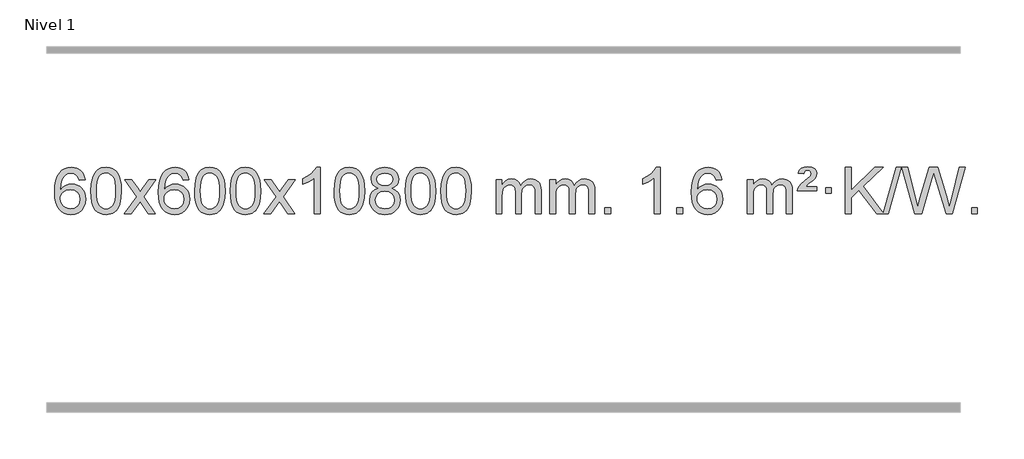
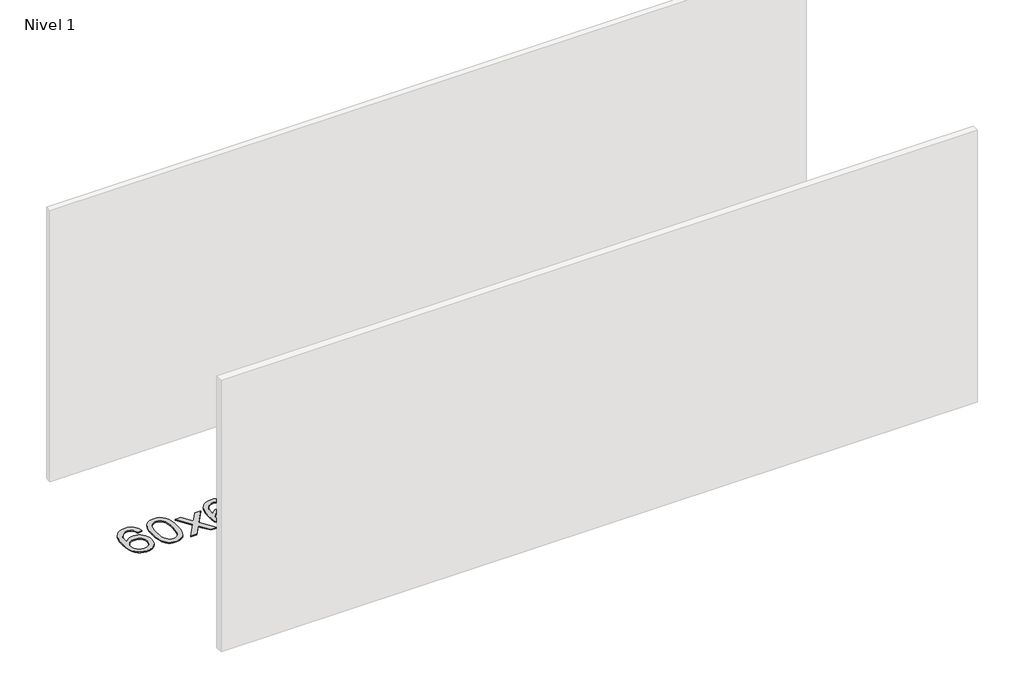
# One storey, part 4 of 8: 1 proxy.
"""IFC4 building model written with IfcOpenShell, lengths in millimetres."""

from ifc_helpers import new_model, si_unit, origin, origin_with_axes, place, context, project, spatial, polyline, outline, extrude, element, save

model = new_model("IFC4")

# Units and contexts
model_context = context("Model", 3, world=origin())
ifc_project = project(units=[si_unit("LENGTHUNIT", "METRE", prefix="MILLI")], contexts=[model_context])

# Site, building, storey
site = spatial("IfcSite", under=ifc_project)
building = spatial("IfcBuilding", under=site)
storey = spatial("IfcBuildingStorey", under=building, Name="Nivel 1", Elevation=0.0)

# Proxy
placement = place(None, origin())
element("IfcBuildingElementProxy", 1, Name="Texto de modelo 1", ObjectType="Texto de modelo 1", at=placement, inside=storey, context=model_context, shape_type="SweptSolid", body=[
    extrude(outline(polyline([(-12698.7504157, -3100.4890419), (-12748.9785708, -3106.7675613), (-12757.0719747, -3081.874213), (-12768.0103327, -3064.8780648), (-12790.7944909, -3049.2062918), (-12818.3365896, -3043.9823675), (-12841.6848336, -3047.0235253), (-12863.6596514, -3056.1469988), (-12882.5319978, -3075.3627017), (-12897.9462534, -3101.8134171), (-12908.3573138, -3139.227016), (-12912.2200748, -3191.3313693), (-12892.0724042, -3167.8237098), (-12867.9270826, -3151.2567573), (-12841.1330106, -3141.434308), (-12813.0390889, -3138.1601582), (-12788.90603, -3140.398107), (-12766.6369065, -3147.1119534), (-12746.2317185, -3158.3016975), (-12727.690466, -3173.9673391), (-12712.2823418, -3193.1769106), (-12701.2765387, -3214.9984443), (-12694.6730569, -3239.4319401), (-12692.4718963, -3266.4773982), (-12696.6167001, -3302.4439945), (-12709.0511116, -3335.786366), (-12728.745061, -3364.0642287), (-12754.668479, -3384.8372987), (-12785.644143, -3397.602804), (-12820.4948306, -3401.8579724), (-12850.4373594, -3399.0375437), (-12877.4797517, -3390.5762579), (-12901.6220076, -3376.4741147), (-12922.8641272, -3356.7311143), (-12940.1821721, -3330.5133908), (-12952.5522042, -3296.9870783), (-12959.9742234, -3256.1521768), (-12962.4482298, -3208.0086864), (-12959.7013776, -3154.0342663), (-12951.4608209, -3107.9693092), (-12937.7265598, -3069.8138149), (-12918.4985942, -3039.5677835), (-12897.6580791, -3019.5243462), (-12873.4943634, -3005.2076052), (-12846.007447, -2996.6175606), (-12815.1973299, -2993.7542124), (-12792.0636838, -2995.5261773), (-12771.1250669, -3000.8420722), (-12752.3814792, -3009.7018969), (-12735.8329208, -3022.1056515), (-12721.9269814, -3037.6364031), (-12711.1112507, -3055.8772186), (-12703.3857288, -3076.8280983), (-12698.7504157, -3100.4890419)]), holes=[polyline([(-12912.2200748, -3265.6925832), (-12909.313807, -3287.9494439), (-12900.5950037, -3309.2007605), (-12887.0569463, -3327.472233), (-12869.6929161, -3340.7895612), (-12848.7359051, -3348.9197533), (-12824.4189053, -3351.6298173), (-12791.2727375, -3346.0134855), (-12777.357601, -3338.9930708), (-12765.2144295, -3329.1644901), (-12755.3643891, -3316.9262824), (-12748.3286459, -3302.6769865), (-12742.7000514, -3268.1451299), (-12748.2550695, -3234.9989621), (-12755.1988422, -3221.3781312), (-12764.9201239, -3209.725469), (-12777.1000836, -3200.3904634), (-12791.4198903, -3193.7226022), (-12826.4790444, -3188.3883133), (-12859.5761613, -3193.7226022), (-12887.25315, -3209.725469), (-12898.1761796, -3221.2248471), (-12905.9783436, -3234.3858254), (-12910.659642, -3249.2084042), (-12912.2200748, -3265.6925832)])]), origin_with_axes(), (0.0, 0.0, 1.0), 10.0),
    extrude(outline(polyline([(-12648.5222606, -3197.9041943), (-12644.8311779, -3133.5861588), (-12633.7579299, -3082.2911459), (-12615.4128811, -3043.2343407), (-12603.5548181, -3028.0009605), (-12589.9063961, -3015.6309284), (-12574.4216298, -3006.0598651), (-12557.0545339, -2999.2233914), (-12516.6733536, -2993.7542124), (-12485.722215, -2996.991574), (-12458.0084381, -3006.7036586), (-12434.8318724, -3022.5103217), (-12417.4923677, -3044.0314184), (-12404.3957686, -3071.0830078), (-12393.94792, -3103.4811488), (-12387.1053149, -3144.6226186), (-12384.8244465, -3197.9041943), (-12388.478741, -3261.8543477), (-12399.4416244, -3313.0267333), (-12417.6763087, -3352.1203266), (-12429.5067805, -3367.3996922), (-12443.1460055, -3379.8341036), (-12458.6491659, -3389.4695462), (-12476.071444, -3396.3520052), (-12516.6733536, -3401.8579724), (-12544.3380796, -3399.4667394), (-12568.8635459, -3392.2930405), (-12590.2497526, -3380.3368757), (-12608.4966996, -3363.5982449), (-12626.0078825, -3333.3399508), (-12638.5158704, -3295.6381776), (-12646.0206631, -3250.4929255), (-12648.5222606, -3197.9041943)]), holes=[polyline([(-12598.2941056, -3197.8060924), (-12596.8225776, -3241.4706195), (-12592.4079936, -3276.8148822), (-12585.0503537, -3303.8388804), (-12574.7496579, -3322.5426142), (-12562.290721, -3335.2682656), (-12548.4583579, -3344.3580165), (-12533.2525688, -3349.8118671), (-12516.6733536, -3351.6298173), (-12500.0941383, -3349.8057357), (-12484.8883492, -3344.3334911), (-12471.0559862, -3335.2130833), (-12458.5970493, -3322.4445124), (-12448.2963534, -3303.7101217), (-12440.9387135, -3276.6922549), (-12436.5241295, -3241.3909118), (-12435.0526016, -3197.8060924), (-12436.4750786, -3155.2973278), (-12440.7425098, -3120.5753989), (-12447.854895, -3093.6403055), (-12457.8122343, -3074.4920476), (-12470.0627048, -3061.1440625), (-12484.0544833, -3051.6097875), (-12499.78757, -3045.8892225), (-12517.2619648, -3043.9823675), (-12533.7553409, -3045.6623619), (-12548.7036126, -3050.7023452), (-12562.10678, -3059.1023175), (-12573.9648429, -3070.8622786), (-12584.6088953, -3091.708925), (-12592.2117899, -3119.8151094), (-12596.7735266, -3155.1808319), (-12598.2941056, -3197.8060924)])]), origin_with_axes(), (0.0, 0.0, 1.0), 10.0),
    extrude(outline(polyline([(-12359.7103689, -3395.579453), (-12252.3869282, -3247.2494325), (-12353.4318496, -3100.4890419), (-12293.0011005, -3100.4890419), (-12244.2444734, -3171.122385), (-12221.4848406, -3204.4770192), (-12201.7663657, -3177.2047007), (-12146.2407099, -3100.4890419), (-12085.8099608, -3100.4890419), (-12191.9561791, -3247.2494325), (-12089.7340354, -3395.579453), (-12150.1647845, -3395.579453), (-12211.6746541, -3306.4048574), (-12222.9563686, -3290.1199477), (-12299.2796199, -3395.579453), (-12359.7103689, -3395.579453)])), origin_with_axes(), (0.0, 0.0, 1.0), 10.0),
    extrude(outline(polyline([(-11800.9221437, -3100.4890419), (-11851.1502988, -3106.7675613), (-11859.2437027, -3081.874213), (-11870.1820607, -3064.8780648), (-11892.9662189, -3049.2062918), (-11920.5083176, -3043.9823675), (-11943.8565616, -3047.0235253), (-11965.8313794, -3056.1469988), (-11984.7037258, -3075.3627017), (-12000.1179814, -3101.8134171), (-12010.5290419, -3139.227016), (-12014.3918028, -3191.3313693), (-11994.2441322, -3167.8237098), (-11970.0988106, -3151.2567573), (-11943.3047386, -3141.434308), (-11915.2108169, -3138.1601582), (-11891.077758, -3140.398107), (-11868.8086346, -3147.1119534), (-11848.4034466, -3158.3016975), (-11829.862194, -3173.9673391), (-11814.4540698, -3193.1769106), (-11803.4482668, -3214.9984443), (-11796.844785, -3239.4319401), (-11794.6436244, -3266.4773982), (-11798.7884282, -3302.4439945), (-11811.2228396, -3335.786366), (-11830.9167891, -3364.0642287), (-11856.840207, -3384.8372987), (-11887.815871, -3397.602804), (-11922.6665587, -3401.8579724), (-11952.6090874, -3399.0375437), (-11979.6514797, -3390.5762579), (-12003.7937357, -3376.4741147), (-12025.0358552, -3356.7311143), (-12042.3539001, -3330.5133908), (-12054.7239322, -3296.9870783), (-12062.1459515, -3256.1521768), (-12064.6199579, -3208.0086864), (-12061.8731057, -3154.0342663), (-12053.632549, -3107.9693092), (-12039.8982878, -3069.8138149), (-12020.6703222, -3039.5677835), (-11999.8298072, -3019.5243462), (-11975.6660915, -3005.2076052), (-11948.179175, -2996.6175606), (-11917.3690579, -2993.7542124), (-11894.2354118, -2995.5261773), (-11873.2967949, -3000.8420722), (-11854.5532073, -3009.7018969), (-11838.0046489, -3022.1056515), (-11824.0987094, -3037.6364031), (-11813.2829788, -3055.8772186), (-11805.5574569, -3076.8280983), (-11800.9221437, -3100.4890419)]), holes=[polyline([(-12014.3918028, -3265.6925832), (-12011.485535, -3287.9494439), (-12002.7667318, -3309.2007605), (-11989.2286743, -3327.472233), (-11971.8646442, -3340.7895612), (-11950.9076332, -3348.9197533), (-11926.5906333, -3351.6298173), (-11893.4444655, -3346.0134855), (-11879.5293291, -3338.9930708), (-11867.3861575, -3329.1644901), (-11857.5361171, -3316.9262824), (-11850.500374, -3302.6769865), (-11844.8717794, -3268.1451299), (-11850.4267976, -3234.9989621), (-11857.3705702, -3221.3781312), (-11867.0918519, -3209.725469), (-11879.2718117, -3200.3904634), (-11893.5916183, -3193.7226022), (-11928.6507725, -3188.3883133), (-11961.7478893, -3193.7226022), (-11989.4248781, -3209.725469), (-12000.3479076, -3221.2248471), (-12008.1500716, -3234.3858254), (-12012.83137, -3249.2084042), (-12014.3918028, -3265.6925832)])]), origin_with_axes(), (0.0, 0.0, 1.0), 10.0),
    extrude(outline(polyline([(-11750.6939887, -3197.9041943), (-11747.002906, -3133.5861588), (-11735.9296579, -3082.2911459), (-11717.5846091, -3043.2343407), (-11705.7265461, -3028.0009605), (-11692.0781241, -3015.6309284), (-11676.5933578, -3006.0598651), (-11659.2262619, -2999.2233914), (-11618.8450816, -2993.7542124), (-11587.8939431, -2996.991574), (-11560.1801661, -3006.7036586), (-11537.0036004, -3022.5103217), (-11519.6640957, -3044.0314184), (-11506.5674967, -3071.0830078), (-11496.119648, -3103.4811488), (-11489.2770429, -3144.6226186), (-11486.9961745, -3197.9041943), (-11490.650469, -3261.8543477), (-11501.6133525, -3313.0267333), (-11519.8480367, -3352.1203266), (-11531.6785085, -3367.3996922), (-11545.3177335, -3379.8341036), (-11560.8208939, -3389.4695462), (-11578.2431721, -3396.3520052), (-11618.8450816, -3401.8579724), (-11646.5098076, -3399.4667394), (-11671.035274, -3392.2930405), (-11692.4214806, -3380.3368757), (-11710.6684276, -3363.5982449), (-11728.1796106, -3333.3399508), (-11740.6875984, -3295.6381776), (-11748.1923911, -3250.4929255), (-11750.6939887, -3197.9041943)]), holes=[polyline([(-11700.4658336, -3197.8060924), (-11698.9943056, -3241.4706195), (-11694.5797217, -3276.8148822), (-11687.2220818, -3303.8388804), (-11676.9213859, -3322.5426142), (-11664.462449, -3335.2682656), (-11650.630086, -3344.3580165), (-11635.4242968, -3349.8118671), (-11618.8450816, -3351.6298173), (-11602.2658663, -3349.8057357), (-11587.0600772, -3344.3334911), (-11573.2277142, -3335.2130833), (-11560.7687773, -3322.4445124), (-11550.4680814, -3303.7101217), (-11543.1104415, -3276.6922549), (-11538.6958576, -3241.3909118), (-11537.2243296, -3197.8060924), (-11538.6468066, -3155.2973278), (-11542.9142378, -3120.5753989), (-11550.026623, -3093.6403055), (-11559.9839624, -3074.4920476), (-11572.2344328, -3061.1440625), (-11586.2262114, -3051.6097875), (-11601.959298, -3045.8892225), (-11619.4336928, -3043.9823675), (-11635.9270689, -3045.6623619), (-11650.8753406, -3050.7023452), (-11664.278508, -3059.1023175), (-11676.136571, -3070.8622786), (-11686.7806234, -3091.708925), (-11694.3835179, -3119.8151094), (-11698.9452547, -3155.1808319), (-11700.4658336, -3197.8060924)])]), origin_with_axes(), (0.0, 0.0, 1.0), 10.0),
    extrude(outline(polyline([(-11443.0465388, -3197.9041943), (-11439.3554561, -3133.5861588), (-11428.2822081, -3082.2911459), (-11409.9371593, -3043.2343407), (-11398.0790963, -3028.0009605), (-11384.4306743, -3015.6309284), (-11368.945908, -3006.0598651), (-11351.5788121, -2999.2233914), (-11311.1976318, -2993.7542124), (-11280.2464932, -2996.991574), (-11252.5327163, -3006.7036586), (-11229.3561506, -3022.5103217), (-11212.0166459, -3044.0314184), (-11198.9200468, -3071.0830078), (-11188.4721982, -3103.4811488), (-11181.6295931, -3144.6226186), (-11179.3487247, -3197.9041943), (-11183.0030192, -3261.8543477), (-11193.9659026, -3313.0267333), (-11212.2005869, -3352.1203266), (-11224.0310587, -3367.3996922), (-11237.6702837, -3379.8341036), (-11253.1734441, -3389.4695462), (-11270.5957222, -3396.3520052), (-11311.1976318, -3401.8579724), (-11338.8623578, -3399.4667394), (-11363.3878241, -3392.2930405), (-11384.7740308, -3380.3368757), (-11403.0209778, -3363.5982449), (-11420.5321607, -3333.3399508), (-11433.0401486, -3295.6381776), (-11440.5449413, -3250.4929255), (-11443.0465388, -3197.9041943)]), holes=[polyline([(-11392.8183838, -3197.8060924), (-11391.3468558, -3241.4706195), (-11386.9322718, -3276.8148822), (-11379.5746319, -3303.8388804), (-11369.2739361, -3322.5426142), (-11356.8149992, -3335.2682656), (-11342.9826361, -3344.3580165), (-11327.776847, -3349.8118671), (-11311.1976318, -3351.6298173), (-11294.6184165, -3349.8057357), (-11279.4126274, -3344.3334911), (-11265.5802644, -3335.2130833), (-11253.1213275, -3322.4445124), (-11242.8206316, -3303.7101217), (-11235.4629917, -3276.6922549), (-11231.0484077, -3241.3909118), (-11229.5768798, -3197.8060924), (-11230.9993568, -3155.2973278), (-11235.266788, -3120.5753989), (-11242.3791732, -3093.6403055), (-11252.3365125, -3074.4920476), (-11264.586983, -3061.1440625), (-11278.5787615, -3051.6097875), (-11294.3118482, -3045.8892225), (-11311.786243, -3043.9823675), (-11328.2796191, -3045.6623619), (-11343.2278908, -3050.7023452), (-11356.6310582, -3059.1023175), (-11368.4891211, -3070.8622786), (-11379.1331735, -3091.708925), (-11386.7360681, -3119.8151094), (-11391.2978048, -3155.1808319), (-11392.8183838, -3197.8060924)])]), origin_with_axes(), (0.0, 0.0, 1.0), 10.0),
    extrude(outline(polyline([(-11154.2346472, -3395.579453), (-11046.9112064, -3247.2494325), (-11147.9561278, -3100.4890419), (-11087.5253787, -3100.4890419), (-11038.7687516, -3171.122385), (-11016.0091188, -3204.4770192), (-10996.2906439, -3177.2047007), (-10940.7649881, -3100.4890419), (-10880.334239, -3100.4890419), (-10986.4804574, -3247.2494325), (-10884.2583136, -3395.579453), (-10944.6890627, -3395.579453), (-11006.1989323, -3306.4048574), (-11017.4806468, -3290.1199477), (-11093.8038981, -3395.579453), (-11154.2346472, -3395.579453)])), origin_with_axes(), (0.0, 0.0, 1.0), 10.0),
    extrude(outline(polyline([(-10664.5101352, -3395.579453), (-10714.7382902, -3395.579453), (-10714.7382902, -3082.4382987), (-10735.707564, -3099.3976587), (-10762.317695, -3116.3324932), (-10815.1946004, -3141.6918254), (-10815.1946004, -3094.2105225), (-10775.7453878, -3072.7507395), (-10741.5691504, -3047.219729), (-10714.6279257, -3020.0700378), (-10696.8837508, -2993.7542124), (-10664.5101352, -2993.7542124), (-10664.5101352, -3395.579453)])), origin_with_axes(), (0.0, 0.0, 1.0), 10.0),
    extrude(outline(polyline([(-10545.2182669, -3197.9041943), (-10541.5271842, -3133.5861588), (-10530.4539361, -3082.2911459), (-10512.1088873, -3043.2343407), (-10500.2508243, -3028.0009605), (-10486.6024023, -3015.6309284), (-10471.117636, -3006.0598651), (-10453.7505401, -2999.2233914), (-10413.3693598, -2993.7542124), (-10382.4182213, -2996.991574), (-10354.7044443, -3006.7036586), (-10331.5278786, -3022.5103217), (-10314.1883739, -3044.0314184), (-10301.0917749, -3071.0830078), (-10290.6439262, -3103.4811488), (-10283.8013211, -3144.6226186), (-10281.5204527, -3197.9041943), (-10285.1747472, -3261.8543477), (-10296.1376307, -3313.0267333), (-10314.3723149, -3352.1203266), (-10326.2027867, -3367.3996922), (-10339.8420117, -3379.8341036), (-10355.3451721, -3389.4695462), (-10372.7674503, -3396.3520052), (-10413.3693598, -3401.8579724), (-10441.0340858, -3399.4667394), (-10465.5595522, -3392.2930405), (-10486.9457588, -3380.3368757), (-10505.1927058, -3363.5982449), (-10522.7038888, -3333.3399508), (-10535.2118766, -3295.6381776), (-10542.7166693, -3250.4929255), (-10545.2182669, -3197.9041943)]), holes=[polyline([(-10494.9901118, -3197.8060924), (-10493.5185838, -3241.4706195), (-10489.1039999, -3276.8148822), (-10481.74636, -3303.8388804), (-10471.4456641, -3322.5426142), (-10458.9867272, -3335.2682656), (-10445.1543642, -3344.3580165), (-10429.9485751, -3349.8118671), (-10413.3693598, -3351.6298173), (-10396.7901446, -3349.8057357), (-10381.5843554, -3344.3334911), (-10367.7519924, -3335.2130833), (-10355.2930555, -3322.4445124), (-10344.9923596, -3303.7101217), (-10337.6347197, -3276.6922549), (-10333.2201358, -3241.3909118), (-10331.7486078, -3197.8060924), (-10333.1710849, -3155.2973278), (-10337.438516, -3120.5753989), (-10344.5509012, -3093.6403055), (-10354.5082406, -3074.4920476), (-10366.758711, -3061.1440625), (-10380.7504896, -3051.6097875), (-10396.4835762, -3045.8892225), (-10413.957971, -3043.9823675), (-10430.4513471, -3045.6623619), (-10445.3996188, -3050.7023452), (-10458.8027862, -3059.1023175), (-10470.6608492, -3070.8622786), (-10481.3049016, -3091.708925), (-10488.9077961, -3119.8151094), (-10493.4695329, -3155.1808319), (-10494.9901118, -3197.8060924)])]), origin_with_axes(), (0.0, 0.0, 1.0), 10.0),
    extrude(outline(polyline([(-10164.3868255, -3174.2616447), (-10191.2789993, -3161.0178929), (-10210.1513457, -3143.0652515), (-10221.2981701, -3120.7716026), (-10225.0137783, -3094.5048281), (-10222.9904273, -3074.0199324), (-10216.9203744, -3055.2395565), (-10206.8036195, -3038.1637006), (-10192.6401627, -3022.7923645), (-10175.1105856, -3010.088173), (-10154.89547, -3001.0137504), (-10131.9948158, -2995.5690969), (-10106.408623, -2993.7542124), (-10080.6998029, -2995.6120165), (-10057.6274705, -3001.1854287), (-10037.1916256, -3010.4744491), (-10019.3922684, -3023.4790776), (-10004.9712942, -3039.1508506), (-9994.6705984, -3056.4413044), (-9988.4901808, -3075.3504389), (-9986.4300417, -3095.8782543), (-9990.0965989, -3121.2989001), (-10001.0962705, -3143.2124043), (-10019.551684, -3161.0546811), (-10045.5854665, -3174.2616447), (-10014.6711162, -3190.1909351), (-9992.1690008, -3213.6495436), (-9978.4470024, -3243.5092989), (-9973.8730029, -3278.6420295), (-9976.1416085, -3303.6947933), (-9982.9474254, -3326.6628926), (-9994.2904536, -3347.5463272), (-10010.1706931, -3366.3450971), (-10029.754278, -3381.88198), (-10052.2073424, -3392.9797536), (-10077.5298864, -3399.6384177), (-10105.72191, -3401.8579724), (-10133.9139335, -3399.6292206), (-10159.2364775, -3392.9429654), (-10181.689542, -3381.7992066), (-10201.2731268, -3366.1979443), (-10217.1533663, -3347.26735), (-10228.4963945, -3326.135595), (-10235.3022114, -3302.8026795), (-10237.570817, -3277.2686033), (-10232.8128766, -3240.7747094), (-10218.5390552, -3210.7555386), (-10195.4851168, -3188.2411605), (-10164.3868255, -3174.2616447)]), holes=[polyline([(-10174.7856232, -3095.9763561), (-10170.3342511, -3117.902123), (-10156.9801346, -3135.413306), (-10135.1156814, -3146.8912243), (-10105.1332988, -3150.717197), (-10075.849892, -3146.9157497), (-10054.3165325, -3135.5114079), (-10041.0727807, -3118.5888361), (-10036.6581967, -3098.232699), (-10041.2199335, -3077.1040098), (-10054.9051437, -3059.629615), (-10076.7328087, -3047.8941794), (-10105.72191, -3043.9823675), (-10134.8949522, -3047.8083402), (-10156.685829, -3059.2862585), (-10170.2606747, -3076.1107284), (-10174.7856232, -3095.9763561)]), polyline([(-10187.342662, -3275.5027698), (-10185.2457346, -3294.7184726), (-10178.9549525, -3313.3210389), (-10167.3421442, -3329.5446349), (-10149.2791382, -3341.623427), (-10127.6476769, -3349.1282197), (-10105.3295025, -3351.6298173), (-10071.1410024, -3346.3691048), (-10057.2473257, -3339.7932141), (-10045.4873646, -3330.5869672), (-10029.4477096, -3306.6869002), (-10024.101158, -3277.0723996), (-10029.6193879, -3246.9551269), (-10046.1740777, -3222.5277625), (-10058.2528699, -3213.0854579), (-10072.4163267, -3206.3409547), (-10106.9972342, -3200.9453521), (-10140.7074877, -3206.2673783), (-10154.4448145, -3212.919911), (-10166.1036081, -3222.2334569), (-10182.0328985, -3246.1948375), (-10187.342662, -3275.5027698)])]), origin_with_axes(), (0.0, 0.0, 1.0), 10.0),
    extrude(outline(polyline([(-9929.9233672, -3197.9041943), (-9926.2322845, -3133.5861588), (-9915.1590365, -3082.2911459), (-9896.8139876, -3043.2343407), (-9884.9559247, -3028.0009605), (-9871.3075026, -3015.6309284), (-9855.8227363, -3006.0598651), (-9838.4556405, -2999.2233914), (-9798.0744601, -2993.7542124), (-9767.1233216, -2996.991574), (-9739.4095446, -3006.7036586), (-9716.2329789, -3022.5103217), (-9698.8934742, -3044.0314184), (-9685.7968752, -3071.0830078), (-9675.3490265, -3103.4811488), (-9668.5064214, -3144.6226186), (-9666.2255531, -3197.9041943), (-9669.8798475, -3261.8543477), (-9680.842731, -3313.0267333), (-9699.0774152, -3352.1203266), (-9710.9078871, -3367.3996922), (-9724.547112, -3379.8341036), (-9740.0502724, -3389.4695462), (-9757.4725506, -3396.3520052), (-9798.0744601, -3401.8579724), (-9825.7391862, -3399.4667394), (-9850.2646525, -3392.2930405), (-9871.6508592, -3380.3368757), (-9889.8978061, -3363.5982449), (-9907.4089891, -3333.3399508), (-9919.9169769, -3295.6381776), (-9927.4217696, -3250.4929255), (-9929.9233672, -3197.9041943)]), holes=[polyline([(-9879.6952121, -3197.8060924), (-9878.2236842, -3241.4706195), (-9873.8091002, -3276.8148822), (-9866.4514603, -3303.8388804), (-9856.1507644, -3322.5426142), (-9843.6918275, -3335.2682656), (-9829.8594645, -3344.3580165), (-9814.6536754, -3349.8118671), (-9798.0744601, -3351.6298173), (-9781.4952449, -3349.8057357), (-9766.2894558, -3344.3334911), (-9752.4570927, -3335.2130833), (-9739.9981558, -3322.4445124), (-9729.69746, -3303.7101217), (-9722.3398201, -3276.6922549), (-9717.9252361, -3241.3909118), (-9716.4537081, -3197.8060924), (-9717.8761852, -3155.2973278), (-9722.1436163, -3120.5753989), (-9729.2560016, -3093.6403055), (-9739.2133409, -3074.4920476), (-9751.4638113, -3061.1440625), (-9765.4555899, -3051.6097875), (-9781.1886766, -3045.8892225), (-9798.6630713, -3043.9823675), (-9815.1564474, -3045.6623619), (-9830.1047192, -3050.7023452), (-9843.5078865, -3059.1023175), (-9855.3659495, -3070.8622786), (-9866.0100019, -3091.708925), (-9873.6128965, -3119.8151094), (-9878.1746332, -3155.1808319), (-9879.6952121, -3197.8060924)])]), origin_with_axes(), (0.0, 0.0, 1.0), 10.0),
    extrude(outline(polyline([(-9622.2759174, -3197.9041943), (-9618.5848347, -3133.5861588), (-9607.5115866, -3082.2911459), (-9589.1665378, -3043.2343407), (-9577.3084748, -3028.0009605), (-9563.6600528, -3015.6309284), (-9548.1752865, -3006.0598651), (-9530.8081906, -2999.2233914), (-9490.4270103, -2993.7542124), (-9459.4758718, -2996.991574), (-9431.7620948, -3006.7036586), (-9408.5855291, -3022.5103217), (-9391.2460244, -3044.0314184), (-9378.1494254, -3071.0830078), (-9367.7015767, -3103.4811488), (-9360.8589716, -3144.6226186), (-9358.5781032, -3197.9041943), (-9362.2323977, -3261.8543477), (-9373.1952812, -3313.0267333), (-9391.4299654, -3352.1203266), (-9403.2604372, -3367.3996922), (-9416.8996622, -3379.8341036), (-9432.4028226, -3389.4695462), (-9449.8251008, -3396.3520052), (-9490.4270103, -3401.8579724), (-9518.0917363, -3399.4667394), (-9542.6172027, -3392.2930405), (-9564.0034093, -3380.3368757), (-9582.2503563, -3363.5982449), (-9599.7615393, -3333.3399508), (-9612.2695271, -3295.6381776), (-9619.7743198, -3250.4929255), (-9622.2759174, -3197.9041943)]), holes=[polyline([(-9572.0477623, -3197.8060924), (-9570.5762343, -3241.4706195), (-9566.1616504, -3276.8148822), (-9558.8040105, -3303.8388804), (-9548.5033146, -3322.5426142), (-9536.0443777, -3335.2682656), (-9522.2120147, -3344.3580165), (-9507.0062256, -3349.8118671), (-9490.4270103, -3351.6298173), (-9473.8477951, -3349.8057357), (-9458.6420059, -3344.3334911), (-9444.8096429, -3335.2130833), (-9432.350706, -3322.4445124), (-9422.0500101, -3303.7101217), (-9414.6923702, -3276.6922549), (-9410.2777863, -3241.3909118), (-9408.8062583, -3197.8060924), (-9410.2287354, -3155.2973278), (-9414.4961665, -3120.5753989), (-9421.6085517, -3093.6403055), (-9431.5658911, -3074.4920476), (-9443.8163615, -3061.1440625), (-9457.8081401, -3051.6097875), (-9473.5412267, -3045.8892225), (-9491.0156215, -3043.9823675), (-9507.5089976, -3045.6623619), (-9522.4572693, -3050.7023452), (-9535.8604367, -3059.1023175), (-9547.7184997, -3070.8622786), (-9558.3625521, -3091.708925), (-9565.9654466, -3119.8151094), (-9570.5271834, -3155.1808319), (-9572.0477623, -3197.8060924)])]), origin_with_axes(), (0.0, 0.0, 1.0), 10.0),
    extrude(outline(polyline([(-9145.1084442, -3395.579453), (-9145.1084442, -3100.4890419), (-9094.8802891, -3100.4890419), (-9094.8802891, -3149.0494653), (-9079.7726018, -3126.7435537), (-9060.3484325, -3109.2691589), (-9037.2699686, -3097.9751816), (-9011.1993979, -3094.2105225), (-8983.2648918, -3098.048758), (-8960.873141, -3109.5634645), (-8944.1467729, -3127.9943524), (-8933.2084149, -3152.5811324), (-8914.9001543, -3127.0439906), (-8894.0167197, -3108.803175), (-8870.5581112, -3097.8586857), (-8844.5243286, -3094.2105225), (-8824.4165119, -3095.7280358), (-8806.7673732, -3100.2805755), (-8791.5769125, -3107.8681416), (-8778.8451298, -3118.4907342), (-8768.7804915, -3132.2709806), (-8761.5914642, -3149.3315082), (-8757.2780478, -3169.6723168), (-8755.8402423, -3193.2934066), (-8755.8402423, -3395.579453), (-8806.0683974, -3395.579453), (-8806.0683974, -3214.875817), (-8807.2333571, -3189.8230531), (-8810.728236, -3172.9372695), (-8817.2765355, -3161.3735121), (-8827.6017569, -3152.2868268), (-8840.8822969, -3146.4007149), (-8856.2965525, -3144.4386776), (-8883.5075574, -3149.4663982), (-8905.6908417, -3164.54956), (-8914.2962147, -3176.1194488), (-8920.4429097, -3190.7182326), (-8925.3602657, -3229.0024856), (-8925.3602657, -3395.579453), (-8975.5884208, -3395.579453), (-8975.5884208, -3209.2840106), (-8978.4946885, -3180.8835206), (-8987.2134918, -3160.6254854), (-9002.554171, -3148.4853796), (-9025.3260665, -3144.4386776), (-9044.6766595, -3147.1364789), (-9062.5066735, -3155.2298828), (-9077.2219533, -3168.5226856), (-9087.2283436, -3186.8186835), (-9092.9673027, -3212.2025411), (-9094.8802891, -3246.7589232), (-9094.8802891, -3395.579453), (-9145.1084442, -3395.579453)])), origin_with_axes(), (0.0, 0.0, 1.0), 10.0),
    extrude(outline(polyline([(-8680.4980097, -3395.579453), (-8680.4980097, -3100.4890419), (-8630.2698546, -3100.4890419), (-8630.2698546, -3149.0494653), (-8615.1621674, -3126.7435537), (-8595.737998, -3109.2691589), (-8572.6595342, -3097.9751816), (-8546.5889635, -3094.2105225), (-8518.6544573, -3098.048758), (-8496.2627065, -3109.5634645), (-8479.5363385, -3127.9943524), (-8468.5979805, -3152.5811324), (-8450.2897199, -3127.0439906), (-8429.4062853, -3108.803175), (-8405.9476767, -3097.8586857), (-8379.9138942, -3094.2105225), (-8359.8060775, -3095.7280358), (-8342.1569388, -3100.2805755), (-8326.966478, -3107.8681416), (-8314.2346953, -3118.4907342), (-8304.1700571, -3132.2709806), (-8296.9810297, -3149.3315082), (-8292.6676134, -3169.6723168), (-8291.2298079, -3193.2934066), (-8291.2298079, -3395.579453), (-8341.457963, -3395.579453), (-8341.457963, -3214.875817), (-8342.6229226, -3189.8230531), (-8346.1178016, -3172.9372695), (-8352.6661011, -3161.3735121), (-8362.9913224, -3152.2868268), (-8376.2718624, -3146.4007149), (-8391.686118, -3144.4386776), (-8418.8971229, -3149.4663982), (-8441.0804073, -3164.54956), (-8449.6857803, -3176.1194488), (-8455.8324753, -3190.7182326), (-8460.7498313, -3229.0024856), (-8460.7498313, -3395.579453), (-8510.9779863, -3395.579453), (-8510.9779863, -3209.2840106), (-8513.8842541, -3180.8835206), (-8522.6030574, -3160.6254854), (-8537.9437366, -3148.4853796), (-8560.7156321, -3144.4386776), (-8580.066225, -3147.1364789), (-8597.8962391, -3155.2298828), (-8612.6115189, -3168.5226856), (-8622.6179091, -3186.8186835), (-8628.3568683, -3212.2025411), (-8630.2698546, -3246.7589232), (-8630.2698546, -3395.579453), (-8680.4980097, -3395.579453)])), origin_with_axes(), (0.0, 0.0, 1.0), 10.0),
    extrude(outline(polyline([(-8203.3305365, -3395.579453), (-8203.3305365, -3345.3512979), (-8153.1023814, -3345.3512979), (-8153.1023814, -3395.579453), (-8203.3305365, -3395.579453)])), origin_with_axes(), (0.0, 0.0, 1.0), 10.0),
    extrude(outline(polyline([(-7726.1630633, -3395.579453), (-7776.3912184, -3395.579453), (-7776.3912184, -3082.4382987), (-7797.3604921, -3099.3976587), (-7823.9706231, -3116.3324932), (-7876.8475285, -3141.6918254), (-7876.8475285, -3094.2105225), (-7837.3983159, -3072.7507395), (-7803.2220786, -3047.219729), (-7776.2808538, -3020.0700378), (-7758.5366789, -2993.7542124), (-7726.1630633, -2993.7542124), (-7726.1630633, -3395.579453)])), origin_with_axes(), (0.0, 0.0, 1.0), 10.0),
    extrude(outline(polyline([(-7581.7571175, -3395.579453), (-7581.7571175, -3345.3512979), (-7531.5289624, -3345.3512979), (-7531.5289624, -3395.579453), (-7581.7571175, -3395.579453)])), origin_with_axes(), (0.0, 0.0, 1.0), 10.0),
    extrude(outline(polyline([(-7192.4889156, -3100.4890419), (-7242.7170707, -3106.7675613), (-7250.8104746, -3081.874213), (-7261.7488326, -3064.8780648), (-7284.5329908, -3049.2062918), (-7312.0750895, -3043.9823675), (-7335.4233335, -3047.0235253), (-7357.3981513, -3056.1469988), (-7376.2704977, -3075.3627017), (-7391.6847533, -3101.8134171), (-7402.0958137, -3139.227016), (-7405.9585747, -3191.3313693), (-7385.8109041, -3167.8237098), (-7361.6655825, -3151.2567573), (-7334.8715105, -3141.434308), (-7306.7775888, -3138.1601582), (-7282.6445299, -3140.398107), (-7260.3754065, -3147.1119534), (-7239.9702185, -3158.3016975), (-7221.4289659, -3173.9673391), (-7206.0208417, -3193.1769106), (-7195.0150387, -3214.9984443), (-7188.4115568, -3239.4319401), (-7186.2103962, -3266.4773982), (-7190.3552001, -3302.4439945), (-7202.7896115, -3335.786366), (-7222.483561, -3364.0642287), (-7248.4069789, -3384.8372987), (-7279.3826429, -3397.602804), (-7314.2333306, -3401.8579724), (-7344.1758593, -3399.0375437), (-7371.2182516, -3390.5762579), (-7395.3605076, -3376.4741147), (-7416.6026271, -3356.7311143), (-7433.920672, -3330.5133908), (-7446.2907041, -3296.9870783), (-7453.7127234, -3256.1521768), (-7456.1867298, -3208.0086864), (-7453.4398775, -3154.0342663), (-7445.1993208, -3107.9693092), (-7431.4650597, -3069.8138149), (-7412.2370941, -3039.5677835), (-7391.3965791, -3019.5243462), (-7367.2328633, -3005.2076052), (-7339.7459469, -2996.6175606), (-7308.9358298, -2993.7542124), (-7285.8021837, -2995.5261773), (-7264.8635668, -3000.8420722), (-7246.1199792, -3009.7018969), (-7229.5714207, -3022.1056515), (-7215.6654813, -3037.6364031), (-7204.8497507, -3055.8772186), (-7197.1242288, -3076.8280983), (-7192.4889156, -3100.4890419)]), holes=[polyline([(-7405.9585747, -3265.6925832), (-7403.0523069, -3287.9494439), (-7394.3335036, -3309.2007605), (-7380.7954462, -3327.472233), (-7363.4314161, -3340.7895612), (-7342.4744051, -3348.9197533), (-7318.1574052, -3351.6298173), (-7285.0112374, -3346.0134855), (-7271.0961009, -3338.9930708), (-7258.9529294, -3329.1644901), (-7249.102889, -3316.9262824), (-7242.0671458, -3302.6769865), (-7236.4385513, -3268.1451299), (-7241.9935694, -3234.9989621), (-7248.9373421, -3221.3781312), (-7258.6586238, -3209.725469), (-7270.8385836, -3200.3904634), (-7285.1583902, -3193.7226022), (-7320.2175444, -3188.3883133), (-7353.3146612, -3193.7226022), (-7380.99165, -3209.725469), (-7391.9146795, -3221.2248471), (-7399.7168435, -3234.3858254), (-7404.3981419, -3249.2084042), (-7405.9585747, -3265.6925832)])]), origin_with_axes(), (0.0, 0.0, 1.0), 10.0),
    extrude(outline(polyline([(-6972.7407372, -3395.579453), (-6972.7407372, -3100.4890419), (-6922.5125821, -3100.4890419), (-6922.5125821, -3149.0494653), (-6907.4048948, -3126.7435537), (-6887.9807255, -3109.2691589), (-6864.9022617, -3097.9751816), (-6838.8316909, -3094.2105225), (-6810.8971848, -3098.048758), (-6788.505434, -3109.5634645), (-6771.7790659, -3127.9943524), (-6760.840708, -3152.5811324), (-6742.5324473, -3127.0439906), (-6721.6490127, -3108.803175), (-6698.1904042, -3097.8586857), (-6672.1566217, -3094.2105225), (-6652.0488049, -3095.7280358), (-6634.3996662, -3100.2805755), (-6619.2092055, -3107.8681416), (-6606.4774228, -3118.4907342), (-6596.4127845, -3132.2709806), (-6589.2237572, -3149.3315082), (-6584.9103408, -3169.6723168), (-6583.4725353, -3193.2934066), (-6583.4725353, -3395.579453), (-6633.7006904, -3395.579453), (-6633.7006904, -3214.875817), (-6634.8656501, -3189.8230531), (-6638.360529, -3172.9372695), (-6644.9088285, -3161.3735121), (-6655.2340499, -3152.2868268), (-6668.5145899, -3146.4007149), (-6683.9288455, -3144.4386776), (-6711.1398504, -3149.4663982), (-6733.3231347, -3164.54956), (-6741.9285077, -3176.1194488), (-6748.0752027, -3190.7182326), (-6752.9925587, -3229.0024856), (-6752.9925587, -3395.579453), (-6803.2207138, -3395.579453), (-6803.2207138, -3209.2840106), (-6806.1269816, -3180.8835206), (-6814.8457848, -3160.6254854), (-6830.186464, -3148.4853796), (-6852.9583595, -3144.4386776), (-6872.3089525, -3147.1364789), (-6890.1389665, -3155.2298828), (-6904.8542463, -3168.5226856), (-6914.8606366, -3186.8186835), (-6920.5995957, -3212.2025411), (-6922.5125821, -3246.7589232), (-6922.5125821, -3395.579453), (-6972.7407372, -3395.579453)])), origin_with_axes(), (0.0, 0.0, 1.0), 10.0),
    extrude(outline(polyline([(-6539.5228997, -3194.6668327), (-6535.6969269, -3178.8479069), (-6527.3582683, -3162.9799302), (-6505.8494344, -3137.8413272), (-6473.8927517, -3110.1030247), (-6429.7469123, -3072.726214), (-6422.6100016, -3061.1992448), (-6420.2310314, -3049.3779701), (-6422.1194923, -3037.2869152), (-6427.784875, -3027.5012541), (-6437.1536031, -3021.026531), (-6450.1521003, -3018.8682899), (-6462.5865117, -3020.4869707), (-6471.4402051, -3025.343013), (-6477.8658773, -3034.8098431), (-6483.0162252, -3050.2608869), (-6533.2443803, -3043.9823675), (-6522.4041241, -3018.7701881), (-6505.775858, -3001.2099542), (-6482.0106811, -2990.9092583), (-6449.7596928, -2987.475693), (-6413.9770374, -2991.6082341), (-6389.2308419, -3004.0058573), (-6374.8098677, -3022.3386434), (-6370.0028763, -3044.2766731), (-6374.0986292, -3067.1834586), (-6386.3858878, -3088.8149199), (-6406.9137031, -3108.6314968), (-6443.3830716, -3136.6886303), (-6468.9876584, -3163.2742358), (-6370.0028763, -3163.2742358), (-6370.0028763, -3194.6668327), (-6539.5228997, -3194.6668327)])), origin_with_axes(), (0.0, 0.0, 1.0), 10.0),
    extrude(outline(polyline([(-6294.6606437, -3219.7809102), (-6294.6606437, -3169.5527552), (-6244.4324886, -3169.5527552), (-6244.4324886, -3219.7809102), (-6294.6606437, -3219.7809102)])), origin_with_axes(), (0.0, 0.0, 1.0), 10.0),
    extrude(outline(polyline([(-5853.7908606, -3395.579453), (-6007.2221781, -3192.9009991), (-6074.9124652, -3257.4520265), (-6074.9124652, -3395.579453), (-6125.1406203, -3395.579453), (-6125.1406203, -2993.7542124), (-6074.9124652, -2993.7542124), (-6074.9124652, -3190.4484525), (-5868.8985479, -2993.7542124), (-5798.6576123, -2993.7542124), (-5971.611201, -3158.9577537), (-5796.9575911, -3389.5349332), (-5685.6442634, -2993.7542124), (-5640.3212016, -2993.7542124), (-5753.3345505, -3395.579453), (-5792.3790929, -3395.579453), (-5798.6576123, -3395.579453), (-5853.7908606, -3395.579453)])), origin_with_axes(), (0.0, 0.0, 1.0), 10.0),
    extrude(outline(polyline([(-5525.8363247, -3395.579453), (-5635.4161083, -2993.7542124), (-5583.6183234, -2993.7542124), (-5520.0483146, -3257.844434), (-5500.4279415, -3339.3670841), (-5479.4341424, -3267.2622131), (-5399.7754277, -2993.7542124), (-5325.1199081, -2993.7542124), (-5267.2398075, -3192.0180823), (-5242.4445611, -3265.5944814), (-5224.1730886, -3339.3670841), (-5205.1413268, -3260.1988788), (-5140.9827068, -2993.7542124), (-5089.1849219, -2993.7542124), (-5198.8628074, -3395.579453), (-5252.5245277, -3395.579453), (-5348.8605595, -3085.5775584), (-5362.3005151, -3042.3146358), (-5377.4082024, -3094.4067263), (-5465.2093719, -3395.579453), (-5525.8363247, -3395.579453)])), origin_with_axes(), (0.0, 0.0, 1.0), 10.0),
    extrude(outline(polyline([(-5032.6782474, -3395.579453), (-5032.6782474, -3345.3512979), (-4982.4500923, -3345.3512979), (-4982.4500923, -3395.579453), (-5032.6782474, -3395.579453)])), origin_with_axes(), (0.0, 0.0, 1.0), 10.0),
])

save(model, "model.ifc")
